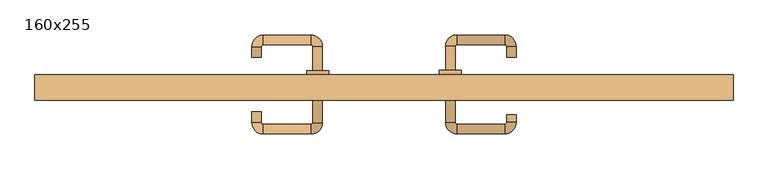
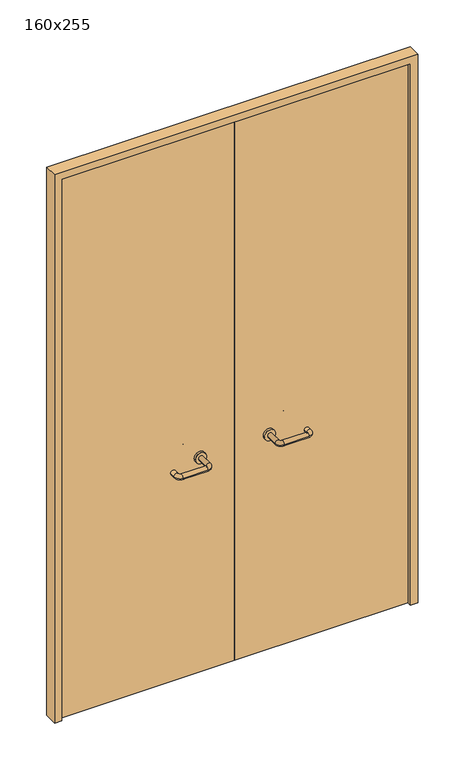
"""IFC4 building model written with IfcOpenShell, lengths in millimetres: door geometry, 160x255."""

from ifc_helpers import new_model, si_unit, point, frame, frame_2d, origin, place, context, project, spatial, polyline, circle_curve, ellipse_curve, trimmed, segment, composite_curve, outline, extrude, source, transform, mapped, element, save
from ifc_brep_helpers import plane_surface, cylinder_surface, revolved_surface, advanced_brep


def door_160x255_4dd98a47(model_context):
    return source(origin(), model_context, "Body", "SolidModel", [
        extrude(outline(polyline([(2550.0, -800.0), (0.0, -800.0), (0.0, -768.0), (2518.0, -768.0), (2518.0, 768.0), (0.0, 768.0), (0.0, 800.0), (2550.0, 800.0), (2550.0, -800.0)])), frame((0.0, -29.0, 0.0), z_axis=(0.0, 1.0, 0.0), x_axis=(0.0, 0.0, 1.0)), (0.0, 0.0, 1.0), 59.0),
        advanced_brep(
        [(140.99898, -24.0, 1003.0), (162.99898, -24.0, 1003.0), (140.99898, -79.3525369, 1003.0), (162.99898, -79.3525369, 1003.0), (166.99898, -83.3525369, 1003.0), (166.99898, -105.3525369, 1003.0), (276.99898, -105.3525369, 1003.0), (276.99898, -83.3525369, 1003.0), (280.99898, -79.3525369, 1003.0), (302.99898, -79.3525369, 1003.0), (302.99898, -62.0, 1003.0), (280.99898, -62.0, 1003.0)],
        [
            (0, 1, circle_curve(frame((151.99898, -24.0, 1003.0), z_axis=(0.0, 1.0, 0.0), x_axis=(1.0, 0.0, 0.0)), 11.0)),
            (1, 0, circle_curve(frame((151.99898, -24.0, 1003.0), z_axis=(0.0, 1.0, 0.0), x_axis=(1.0, 0.0, 0.0)), 11.0)),
            (0, 2),
            (2, 3, circle_curve(frame((151.99898, -79.3525369, 1003.0), z_axis=(0.0, 1.0, 0.0), x_axis=(1.0, 0.0, 0.0)), 11.0)),
            (3, 1),
            (3, 2, circle_curve(frame((151.99898, -79.3525369, 1003.0), z_axis=(0.0, 1.0, 0.0), x_axis=(1.0, 0.0, 0.0)), 11.0)),
            (4, 3, circle_curve(frame((166.99898, -79.3525369, 1003.0), z_axis=(0.0, 0.0, -1.0), x_axis=(-1.0, 0.0, 0.0)), 4.0)),
            (2, 5, circle_curve(frame((166.99898, -79.3525369, 1003.0), z_axis=(0.0, 0.0, 1.0), x_axis=(-1.0, 0.0, 0.0)), 26.0)),
            (5, 4, circle_curve(frame((166.99898, -94.3525369, 1003.0), z_axis=(-1.0, 0.0, 0.0), x_axis=(0.0, 1.0, 0.0)), 11.0)),
            (4, 5, circle_curve(frame((166.99898, -94.3525369, 1003.0), z_axis=(-1.0, 0.0, 0.0), x_axis=(0.0, 1.0, 0.0)), 11.0)),
            (5, 6),
            (6, 7, circle_curve(frame((276.99898, -94.3525369, 1003.0), z_axis=(-1.0, 0.0, 0.0), x_axis=(0.0, 1.0, 0.0)), 11.0)),
            (7, 4),
            (7, 6, circle_curve(frame((276.99898, -94.3525369, 1003.0), z_axis=(-1.0, 0.0, 0.0), x_axis=(0.0, 1.0, 0.0)), 11.0)),
            (8, 7, circle_curve(frame((276.99898, -79.3525369, 1003.0), z_axis=(0.0, 0.0, -1.0), x_axis=(0.0, -1.0, 0.0)), 4.0)),
            (6, 9, circle_curve(frame((276.99898, -79.3525369, 1003.0), z_axis=(0.0, 0.0, 1.0), x_axis=(0.0, -1.0, 0.0)), 26.0)),
            (9, 8, circle_curve(frame((291.99898, -79.3525369, 1003.0), z_axis=(0.0, -1.0, 0.0), x_axis=(-1.0, 0.0, 0.0)), 11.0)),
            (8, 9, circle_curve(frame((291.99898, -79.3525369, 1003.0), z_axis=(0.0, -1.0, 0.0), x_axis=(-1.0, 0.0, 0.0)), 11.0)),
            (10, 11, circle_curve(frame((291.99898, -62.0, 1003.0), z_axis=(0.0, 1.0, 0.0), x_axis=(-1.0, 0.0, 0.0)), 11.0)),
            (11, 10, circle_curve(frame((291.99898, -62.0, 1003.0), z_axis=(0.0, 1.0, 0.0), x_axis=(-1.0, 0.0, 0.0)), 11.0)),
            (9, 10),
            (11, 8),
        ],
        [
            plane_surface(frame((140.99898, -24.0, 1003.0), z_axis=(0.0, 1.0, 0.0), x_axis=(0.0, 0.0, -1.0))),
            cylinder_surface(frame((151.99898, -24.0, 1003.0), z_axis=(0.0, 1.0, 0.0), x_axis=(1.0, 0.0, 0.0)), 11.0),
            revolved_surface(trimmed(ellipse_curve(frame((151.99898, -79.3525369, 1003.0), z_axis=(0.0, 1.0, 0.0), x_axis=(1.0, 0.0, 0.0)), 11.0, 11.0), [point((140.99898, -79.3525369, 1003.0))], [point((162.99898, -79.3525369, 1003.0))], True, "CARTESIAN"), (166.99898, -79.3525369, 1003.0), (0.0, 0.0, 1.0)),
            revolved_surface(trimmed(ellipse_curve(frame((151.99898, -79.3525369, 1003.0), z_axis=(0.0, 1.0, 0.0), x_axis=(1.0, 0.0, 0.0)), 11.0, 11.0), [point((162.99898, -79.3525369, 1003.0))], [point((140.99898, -79.3525369, 1003.0))], True, "CARTESIAN"), (166.99898, -79.3525369, 1003.0), (0.0, 0.0, 1.0)),
            cylinder_surface(frame((166.99898, -94.3525369, 1003.0), z_axis=(-1.0, 0.0, 0.0), x_axis=(0.0, 1.0, 0.0)), 11.0),
            revolved_surface(trimmed(ellipse_curve(frame((276.99898, -94.3525369, 1003.0), z_axis=(-1.0, 0.0, 0.0), x_axis=(0.0, 1.0, 0.0)), 11.0, 11.0), [point((276.99898, -105.3525369, 1003.0))], [point((276.99898, -83.3525369, 1003.0))], True, "CARTESIAN"), (276.99898, -79.3525369, 1003.0), (0.0, 0.0, 1.0)),
            revolved_surface(trimmed(ellipse_curve(frame((276.99898, -94.3525369, 1003.0), z_axis=(-1.0, 0.0, 0.0), x_axis=(0.0, 1.0, 0.0)), 11.0, 11.0), [point((276.99898, -83.3525369, 1003.0))], [point((276.99898, -105.3525369, 1003.0))], True, "CARTESIAN"), (276.99898, -79.3525369, 1003.0), (0.0, 0.0, 1.0)),
            plane_surface(frame((280.99898, -62.0, 1003.0), z_axis=(0.0, 1.0, 0.0), x_axis=(0.0, 0.0, 1.0))),
            cylinder_surface(frame((291.99898, -79.3525369, 1003.0), z_axis=(0.0, -1.0, 0.0), x_axis=(-1.0, 0.0, 0.0)), 11.0),
        ],
        [
            (0, [[1, 2]]),
            (1, [[-1, 3, 4, 5]]),
            (1, [[-2, -5, 6, -3]]),
            (2, [[7, -4, 8, 9]]),
            (3, [[-8, -6, -7, 10]]),
            (4, [[-9, 11, 12, 13]]),
            (4, [[-10, -13, 14, -11]]),
            (5, [[15, -12, 16, 17]]),
            (6, [[-16, -14, -15, 18]]),
            (7, [[19, 20]]),
            (8, [[-17, 21, -20, 22]]),
            (8, [[-18, -22, -19, -21]]),
        ],
    ),
        extrude(outline(composite_curve([segment(trimmed(circle_curve(frame_2d((1003.0, 151.99898)), 25.0), [point((1003.0, 126.99898))], [point((1003.0, 176.99898))], False, "CARTESIAN"), True, "CONTINUOUS"), segment(trimmed(circle_curve(frame_2d((1003.0, 151.99898)), 25.0), [point((1003.0, 176.99898))], [point((1003.0, 126.99898))], False, "CARTESIAN"), True, "CONTINUOUS")], self_intersect=False)), frame((0.0, -24.0, 0.0), z_axis=(0.0, 1.0, 0.0), x_axis=(0.0, 0.0, 1.0)), (0.0, 0.0, 1.0), 10.0),
        advanced_brep(
        [(162.99898, 40.0, 1003.0), (140.99898, 40.0, 1003.0), (162.99898, 95.0, 1003.0), (140.99898, 95.0, 1003.0), (166.99898, 121.0, 1003.0), (166.99898, 99.0, 1003.0), (276.99898, 99.0, 1003.0), (276.99898, 121.0, 1003.0), (302.99898, 95.0, 1003.0), (280.99898, 95.0, 1003.0), (280.99898, 70.0, 1003.0), (302.99898, 70.0, 1003.0)],
        [
            (0, 1, circle_curve(frame((151.99898, 40.0, 1003.0), z_axis=(0.0, -1.0, 0.0), x_axis=(-1.0, 0.0, 0.0)), 11.0)),
            (1, 0, circle_curve(frame((151.99898, 40.0, 1003.0), z_axis=(0.0, -1.0, 0.0), x_axis=(-1.0, 0.0, 0.0)), 11.0)),
            (0, 2),
            (2, 3, circle_curve(frame((151.99898, 95.0, 1003.0), z_axis=(0.0, -1.0, 0.0), x_axis=(-1.0, 0.0, 0.0)), 11.0)),
            (3, 1),
            (3, 2, circle_curve(frame((151.99898, 95.0, 1003.0), z_axis=(0.0, -1.0, 0.0), x_axis=(-1.0, 0.0, 0.0)), 11.0)),
            (4, 3, circle_curve(frame((166.99898, 95.0, 1003.0), z_axis=(0.0, 0.0, 1.0), x_axis=(-1.0, 0.0, 0.0)), 26.0)),
            (2, 5, circle_curve(frame((166.99898, 95.0, 1003.0), z_axis=(0.0, 0.0, -1.0), x_axis=(-1.0, 0.0, 0.0)), 4.0)),
            (5, 4, circle_curve(frame((166.99898, 110.0, 1003.0), z_axis=(-1.0, 0.0, 0.0), x_axis=(0.0, 1.0, 0.0)), 11.0)),
            (4, 5, circle_curve(frame((166.99898, 110.0, 1003.0), z_axis=(-1.0, 0.0, 0.0), x_axis=(0.0, 1.0, 0.0)), 11.0)),
            (5, 6),
            (6, 7, circle_curve(frame((276.99898, 110.0, 1003.0), z_axis=(-1.0, 0.0, 0.0), x_axis=(0.0, 1.0, 0.0)), 11.0)),
            (7, 4),
            (7, 6, circle_curve(frame((276.99898, 110.0, 1003.0), z_axis=(-1.0, 0.0, 0.0), x_axis=(0.0, 1.0, 0.0)), 11.0)),
            (8, 7, circle_curve(frame((276.99898, 95.0, 1003.0), z_axis=(0.0, 0.0, 1.0), x_axis=(0.0, 1.0, 0.0)), 26.0)),
            (6, 9, circle_curve(frame((276.99898, 95.0, 1003.0), z_axis=(0.0, 0.0, -1.0), x_axis=(0.0, 1.0, 0.0)), 4.0)),
            (9, 8, circle_curve(frame((291.99898, 95.0, 1003.0), z_axis=(0.0, 1.0, 0.0), x_axis=(1.0, 0.0, 0.0)), 11.0)),
            (8, 9, circle_curve(frame((291.99898, 95.0, 1003.0), z_axis=(0.0, 1.0, 0.0), x_axis=(1.0, 0.0, 0.0)), 11.0)),
            (10, 11, circle_curve(frame((291.99898, 70.0, 1003.0), z_axis=(0.0, -1.0, 0.0), x_axis=(1.0, 0.0, 0.0)), 11.0)),
            (11, 10, circle_curve(frame((291.99898, 70.0, 1003.0), z_axis=(0.0, -1.0, 0.0), x_axis=(1.0, 0.0, 0.0)), 11.0)),
            (9, 10),
            (11, 8),
        ],
        [
            plane_surface(frame((140.99898, 40.0, 1003.0), z_axis=(0.0, -1.0, 0.0), x_axis=(0.0, 0.0, 1.0))),
            cylinder_surface(frame((151.99898, 40.0, 1003.0), z_axis=(0.0, -1.0, 0.0), x_axis=(-1.0, 0.0, 0.0)), 11.0),
            revolved_surface(trimmed(ellipse_curve(frame((151.99898, 95.0, 1003.0), z_axis=(0.0, -1.0, 0.0), x_axis=(-1.0, 0.0, 0.0)), 11.0, 11.0), [point((162.99898, 95.0, 1003.0))], [point((140.99898, 95.0, 1003.0))], True, "CARTESIAN"), (166.99898, 95.0, 1003.0), (0.0, 0.0, -1.0)),
            revolved_surface(trimmed(ellipse_curve(frame((151.99898, 95.0, 1003.0), z_axis=(0.0, -1.0, 0.0), x_axis=(-1.0, 0.0, 0.0)), 11.0, 11.0), [point((140.99898, 95.0, 1003.0))], [point((162.99898, 95.0, 1003.0))], True, "CARTESIAN"), (166.99898, 95.0, 1003.0), (0.0, 0.0, -1.0)),
            cylinder_surface(frame((166.99898, 110.0, 1003.0), z_axis=(-1.0, 0.0, 0.0), x_axis=(0.0, 1.0, 0.0)), 11.0),
            revolved_surface(trimmed(ellipse_curve(frame((276.99898, 110.0, 1003.0), z_axis=(-1.0, 0.0, 0.0), x_axis=(0.0, 1.0, 0.0)), 11.0, 11.0), [point((276.99898, 99.0, 1003.0))], [point((276.99898, 121.0, 1003.0))], True, "CARTESIAN"), (276.99898, 95.0, 1003.0), (0.0, 0.0, -1.0)),
            revolved_surface(trimmed(ellipse_curve(frame((276.99898, 110.0, 1003.0), z_axis=(-1.0, 0.0, 0.0), x_axis=(0.0, 1.0, 0.0)), 11.0, 11.0), [point((276.99898, 121.0, 1003.0))], [point((276.99898, 99.0, 1003.0))], True, "CARTESIAN"), (276.99898, 95.0, 1003.0), (0.0, 0.0, -1.0)),
            plane_surface(frame((280.99898, 70.0, 1003.0), z_axis=(0.0, -1.0, 0.0), x_axis=(0.0, 0.0, -1.0))),
            cylinder_surface(frame((291.99898, 95.0, 1003.0), z_axis=(0.0, 1.0, 0.0), x_axis=(1.0, 0.0, 0.0)), 11.0),
        ],
        [
            (0, [[1, 2]]),
            (1, [[-1, 3, 4, 5]]),
            (1, [[-2, -5, 6, -3]]),
            (2, [[7, -4, 8, 9]]),
            (3, [[-8, -6, -7, 10]]),
            (4, [[-9, 11, 12, 13]]),
            (4, [[-10, -13, 14, -11]]),
            (5, [[15, -12, 16, 17]]),
            (6, [[-16, -14, -15, 18]]),
            (7, [[19, 20]]),
            (8, [[-17, 21, -20, 22]]),
            (8, [[-18, -22, -19, -21]]),
        ],
    ),
        extrude(outline(composite_curve([segment(trimmed(circle_curve(frame_2d((1003.0, 151.99898)), 25.0), [point((1003.0, 176.99898))], [point((1003.0, 126.99898))], False, "CARTESIAN"), True, "CONTINUOUS"), segment(trimmed(circle_curve(frame_2d((1003.0, 151.99898)), 25.0), [point((1003.0, 126.99898))], [point((1003.0, 176.99898))], False, "CARTESIAN"), True, "CONTINUOUS")], self_intersect=False)), frame((0.0, 30.0, 0.0), z_axis=(0.0, 1.0, 0.0), x_axis=(0.0, 0.0, 1.0)), (0.0, 0.0, 1.0), 10.0),
        advanced_brep(
        [(-162.99898, -24.3113879, 1003.0), (-140.99898, -24.3113879, 1003.0), (-162.99898, -79.7220447, 1003.0), (-140.99898, -79.7220447, 1003.0), (-166.99898, -105.7220447, 1003.0), (-166.99898, -83.7220447, 1003.0), (-276.99898, -83.7220447, 1003.0), (-276.99898, -105.7220447, 1003.0), (-302.99898, -79.7220447, 1003.0), (-280.99898, -79.7220447, 1003.0), (-280.99898, -54.7220447, 1003.0), (-302.99898, -54.7220447, 1003.0)],
        [
            (0, 1, circle_curve(frame((-151.99898, -24.3113879, 1003.0), z_axis=(0.0, 1.0, 0.0), x_axis=(1.0, 0.0, 0.0)), 11.0)),
            (1, 0, circle_curve(frame((-151.99898, -24.3113879, 1003.0), z_axis=(0.0, 1.0, 0.0), x_axis=(1.0, 0.0, 0.0)), 11.0)),
            (0, 2),
            (2, 3, circle_curve(frame((-151.99898, -79.7220447, 1003.0), z_axis=(0.0, 1.0, 0.0), x_axis=(1.0, 0.0, 0.0)), 11.0)),
            (3, 1),
            (3, 2, circle_curve(frame((-151.99898, -79.7220447, 1003.0), z_axis=(0.0, 1.0, 0.0), x_axis=(1.0, 0.0, 0.0)), 11.0)),
            (4, 3, circle_curve(frame((-166.99898, -79.7220447, 1003.0), z_axis=(0.0, 0.0, 1.0), x_axis=(1.0, 0.0, 0.0)), 26.0)),
            (2, 5, circle_curve(frame((-166.99898, -79.7220447, 1003.0), z_axis=(0.0, 0.0, -1.0), x_axis=(1.0, 0.0, 0.0)), 4.0)),
            (5, 4, circle_curve(frame((-166.99898, -94.7220447, 1003.0), z_axis=(1.0, 0.0, 0.0), x_axis=(0.0, -1.0, 0.0)), 11.0)),
            (4, 5, circle_curve(frame((-166.99898, -94.7220447, 1003.0), z_axis=(1.0, 0.0, 0.0), x_axis=(0.0, -1.0, 0.0)), 11.0)),
            (5, 6),
            (6, 7, circle_curve(frame((-276.99898, -94.7220447, 1003.0), z_axis=(1.0, 0.0, 0.0), x_axis=(0.0, -1.0, 0.0)), 11.0)),
            (7, 4),
            (7, 6, circle_curve(frame((-276.99898, -94.7220447, 1003.0), z_axis=(1.0, 0.0, 0.0), x_axis=(0.0, -1.0, 0.0)), 11.0)),
            (8, 7, circle_curve(frame((-276.99898, -79.7220447, 1003.0), z_axis=(0.0, 0.0, 1.0), x_axis=(0.0, -1.0, 0.0)), 26.0)),
            (6, 9, circle_curve(frame((-276.99898, -79.7220447, 1003.0), z_axis=(0.0, 0.0, -1.0), x_axis=(0.0, -1.0, 0.0)), 4.0)),
            (9, 8, circle_curve(frame((-291.99898, -79.7220447, 1003.0), z_axis=(0.0, -1.0, 0.0), x_axis=(-1.0, 0.0, 0.0)), 11.0)),
            (8, 9, circle_curve(frame((-291.99898, -79.7220447, 1003.0), z_axis=(0.0, -1.0, 0.0), x_axis=(-1.0, 0.0, 0.0)), 11.0)),
            (10, 11, circle_curve(frame((-291.99898, -54.7220447, 1003.0), z_axis=(0.0, 1.0, 0.0), x_axis=(-1.0, 0.0, 0.0)), 11.0)),
            (11, 10, circle_curve(frame((-291.99898, -54.7220447, 1003.0), z_axis=(0.0, 1.0, 0.0), x_axis=(-1.0, 0.0, 0.0)), 11.0)),
            (9, 10),
            (11, 8),
        ],
        [
            plane_surface(frame((-162.99898, -24.3113879, 1003.0), z_axis=(0.0, 1.0, 0.0), x_axis=(0.0, 0.0, -1.0))),
            cylinder_surface(frame((-151.99898, -24.3113879, 1003.0), z_axis=(0.0, 1.0, 0.0), x_axis=(1.0, 0.0, 0.0)), 11.0),
            revolved_surface(trimmed(ellipse_curve(frame((-151.99898, -79.7220447, 1003.0), z_axis=(0.0, 1.0, 0.0), x_axis=(1.0, 0.0, 0.0)), 11.0, 11.0), [point((-162.99898, -79.7220447, 1003.0))], [point((-140.99898, -79.7220447, 1003.0))], True, "CARTESIAN"), (-166.99898, -79.7220447, 1003.0), (0.0, 0.0, -1.0)),
            revolved_surface(trimmed(ellipse_curve(frame((-151.99898, -79.7220447, 1003.0), z_axis=(0.0, 1.0, 0.0), x_axis=(1.0, 0.0, 0.0)), 11.0, 11.0), [point((-140.99898, -79.7220447, 1003.0))], [point((-162.99898, -79.7220447, 1003.0))], True, "CARTESIAN"), (-166.99898, -79.7220447, 1003.0), (0.0, 0.0, -1.0)),
            cylinder_surface(frame((-166.99898, -94.7220447, 1003.0), z_axis=(1.0, 0.0, 0.0), x_axis=(0.0, -1.0, 0.0)), 11.0),
            revolved_surface(trimmed(ellipse_curve(frame((-276.99898, -94.7220447, 1003.0), z_axis=(1.0, 0.0, 0.0), x_axis=(0.0, -1.0, 0.0)), 11.0, 11.0), [point((-276.99898, -83.7220447, 1003.0))], [point((-276.99898, -105.7220447, 1003.0))], True, "CARTESIAN"), (-276.99898, -79.7220447, 1003.0), (0.0, 0.0, -1.0)),
            revolved_surface(trimmed(ellipse_curve(frame((-276.99898, -94.7220447, 1003.0), z_axis=(1.0, 0.0, 0.0), x_axis=(0.0, -1.0, 0.0)), 11.0, 11.0), [point((-276.99898, -105.7220447, 1003.0))], [point((-276.99898, -83.7220447, 1003.0))], True, "CARTESIAN"), (-276.99898, -79.7220447, 1003.0), (0.0, 0.0, -1.0)),
            plane_surface(frame((-302.99898, -54.7220447, 1003.0), z_axis=(0.0, 1.0, 0.0), x_axis=(0.0, 0.0, 1.0))),
            cylinder_surface(frame((-291.99898, -79.7220447, 1003.0), z_axis=(0.0, -1.0, 0.0), x_axis=(-1.0, 0.0, 0.0)), 11.0),
        ],
        [
            (0, [[1, 2]]),
            (1, [[-1, 3, 4, 5]]),
            (1, [[-2, -5, 6, -3]]),
            (2, [[7, -4, 8, 9]]),
            (3, [[-8, -6, -7, 10]]),
            (4, [[-9, 11, 12, 13]]),
            (4, [[-10, -13, 14, -11]]),
            (5, [[15, -12, 16, 17]]),
            (6, [[-16, -14, -15, 18]]),
            (7, [[19, 20]]),
            (8, [[-17, 21, -20, 22]]),
            (8, [[-18, -22, -19, -21]]),
        ],
    ),
        extrude(outline(composite_curve([segment(trimmed(circle_curve(frame_2d((1003.0, -151.99898)), 25.0), [point((1003.0, -176.99898))], [point((1003.0, -126.99898))], False, "CARTESIAN"), True, "CONTINUOUS"), segment(trimmed(circle_curve(frame_2d((1003.0, -151.99898)), 25.0), [point((1003.0, -126.99898))], [point((1003.0, -176.99898))], False, "CARTESIAN"), True, "CONTINUOUS")], self_intersect=False)), frame((0.0, -24.3113879, 0.0), z_axis=(0.0, 1.0, 0.0), x_axis=(0.0, 0.0, 1.0)), (0.0, 0.0, 1.0), 10.3113879),
        advanced_brep(
        [(-140.99898, 39.5143417, 1003.0), (-162.99898, 39.5143417, 1003.0), (-140.99898, 94.6104656, 1003.0), (-162.99898, 94.6104656, 1003.0), (-166.99898, 98.6104656, 1003.0), (-166.99898, 120.6104656, 1003.0), (-276.99898, 120.6104656, 1003.0), (-276.99898, 98.6104656, 1003.0), (-280.99898, 94.6104656, 1003.0), (-302.99898, 94.6104656, 1003.0), (-302.99898, 69.6104656, 1003.0), (-280.99898, 69.6104656, 1003.0)],
        [
            (0, 1, circle_curve(frame((-151.99898, 39.5143417, 1003.0), z_axis=(0.0, -1.0, 0.0), x_axis=(-1.0, 0.0, 0.0)), 11.0)),
            (1, 0, circle_curve(frame((-151.99898, 39.5143417, 1003.0), z_axis=(0.0, -1.0, 0.0), x_axis=(-1.0, 0.0, 0.0)), 11.0)),
            (0, 2),
            (2, 3, circle_curve(frame((-151.99898, 94.6104656, 1003.0), z_axis=(0.0, -1.0, 0.0), x_axis=(-1.0, 0.0, 0.0)), 11.0)),
            (3, 1),
            (3, 2, circle_curve(frame((-151.99898, 94.6104656, 1003.0), z_axis=(0.0, -1.0, 0.0), x_axis=(-1.0, 0.0, 0.0)), 11.0)),
            (4, 3, circle_curve(frame((-166.99898, 94.6104656, 1003.0), z_axis=(0.0, 0.0, -1.0), x_axis=(1.0, 0.0, 0.0)), 4.0)),
            (2, 5, circle_curve(frame((-166.99898, 94.6104656, 1003.0), z_axis=(0.0, 0.0, 1.0), x_axis=(1.0, 0.0, 0.0)), 26.0)),
            (5, 4, circle_curve(frame((-166.99898, 109.6104656, 1003.0), z_axis=(1.0, 0.0, 0.0), x_axis=(0.0, -1.0, 0.0)), 11.0)),
            (4, 5, circle_curve(frame((-166.99898, 109.6104656, 1003.0), z_axis=(1.0, 0.0, 0.0), x_axis=(0.0, -1.0, 0.0)), 11.0)),
            (5, 6),
            (6, 7, circle_curve(frame((-276.99898, 109.6104656, 1003.0), z_axis=(1.0, 0.0, 0.0), x_axis=(0.0, -1.0, 0.0)), 11.0)),
            (7, 4),
            (7, 6, circle_curve(frame((-276.99898, 109.6104656, 1003.0), z_axis=(1.0, 0.0, 0.0), x_axis=(0.0, -1.0, 0.0)), 11.0)),
            (8, 7, circle_curve(frame((-276.99898, 94.6104656, 1003.0), z_axis=(0.0, 0.0, -1.0), x_axis=(0.0, 1.0, 0.0)), 4.0)),
            (6, 9, circle_curve(frame((-276.99898, 94.6104656, 1003.0), z_axis=(0.0, 0.0, 1.0), x_axis=(0.0, 1.0, 0.0)), 26.0)),
            (9, 8, circle_curve(frame((-291.99898, 94.6104656, 1003.0), z_axis=(0.0, 1.0, 0.0), x_axis=(1.0, 0.0, 0.0)), 11.0)),
            (8, 9, circle_curve(frame((-291.99898, 94.6104656, 1003.0), z_axis=(0.0, 1.0, 0.0), x_axis=(1.0, 0.0, 0.0)), 11.0)),
            (10, 11, circle_curve(frame((-291.99898, 69.6104656, 1003.0), z_axis=(0.0, -1.0, 0.0), x_axis=(1.0, 0.0, 0.0)), 11.0)),
            (11, 10, circle_curve(frame((-291.99898, 69.6104656, 1003.0), z_axis=(0.0, -1.0, 0.0), x_axis=(1.0, 0.0, 0.0)), 11.0)),
            (9, 10),
            (11, 8),
        ],
        [
            plane_surface(frame((-162.99898, 39.5143417, 1003.0), z_axis=(0.0, -1.0, 0.0), x_axis=(0.0, 0.0, 1.0))),
            cylinder_surface(frame((-151.99898, 39.5143417, 1003.0), z_axis=(0.0, -1.0, 0.0), x_axis=(-1.0, 0.0, 0.0)), 11.0),
            revolved_surface(trimmed(ellipse_curve(frame((-151.99898, 94.6104656, 1003.0), z_axis=(0.0, -1.0, 0.0), x_axis=(-1.0, 0.0, 0.0)), 11.0, 11.0), [point((-140.99898, 94.6104656, 1003.0))], [point((-162.99898, 94.6104656, 1003.0))], True, "CARTESIAN"), (-166.99898, 94.6104656, 1003.0), (0.0, 0.0, 1.0)),
            revolved_surface(trimmed(ellipse_curve(frame((-151.99898, 94.6104656, 1003.0), z_axis=(0.0, -1.0, 0.0), x_axis=(-1.0, 0.0, 0.0)), 11.0, 11.0), [point((-162.99898, 94.6104656, 1003.0))], [point((-140.99898, 94.6104656, 1003.0))], True, "CARTESIAN"), (-166.99898, 94.6104656, 1003.0), (0.0, 0.0, 1.0)),
            cylinder_surface(frame((-166.99898, 109.6104656, 1003.0), z_axis=(1.0, 0.0, 0.0), x_axis=(0.0, -1.0, 0.0)), 11.0),
            revolved_surface(trimmed(ellipse_curve(frame((-276.99898, 109.6104656, 1003.0), z_axis=(1.0, 0.0, 0.0), x_axis=(0.0, -1.0, 0.0)), 11.0, 11.0), [point((-276.99898, 120.6104656, 1003.0))], [point((-276.99898, 98.6104656, 1003.0))], True, "CARTESIAN"), (-276.99898, 94.6104656, 1003.0), (0.0, 0.0, 1.0)),
            revolved_surface(trimmed(ellipse_curve(frame((-276.99898, 109.6104656, 1003.0), z_axis=(1.0, 0.0, 0.0), x_axis=(0.0, -1.0, 0.0)), 11.0, 11.0), [point((-276.99898, 98.6104656, 1003.0))], [point((-276.99898, 120.6104656, 1003.0))], True, "CARTESIAN"), (-276.99898, 94.6104656, 1003.0), (0.0, 0.0, 1.0)),
            plane_surface(frame((-302.99898, 69.6104656, 1003.0), z_axis=(0.0, -1.0, 0.0), x_axis=(0.0, 0.0, -1.0))),
            cylinder_surface(frame((-291.99898, 94.6104656, 1003.0), z_axis=(0.0, 1.0, 0.0), x_axis=(1.0, 0.0, 0.0)), 11.0),
        ],
        [
            (0, [[1, 2]]),
            (1, [[-1, 3, 4, 5]]),
            (1, [[-2, -5, 6, -3]]),
            (2, [[7, -4, 8, 9]]),
            (3, [[-8, -6, -7, 10]]),
            (4, [[-9, 11, 12, 13]]),
            (4, [[-10, -13, 14, -11]]),
            (5, [[15, -12, 16, 17]]),
            (6, [[-16, -14, -15, 18]]),
            (7, [[19, 20]]),
            (8, [[-17, 21, -20, 22]]),
            (8, [[-18, -22, -19, -21]]),
        ],
    ),
        extrude(outline(composite_curve([segment(trimmed(circle_curve(frame_2d((1003.0, -151.99898)), 25.0), [point((1003.0, -126.99898))], [point((1003.0, -176.99898))], False, "CARTESIAN"), True, "CONTINUOUS"), segment(trimmed(circle_curve(frame_2d((1003.0, -151.99898)), 25.0), [point((1003.0, -176.99898))], [point((1003.0, -126.99898))], False, "CARTESIAN"), True, "CONTINUOUS")], self_intersect=False)), frame((0.0, 30.0, 0.0), z_axis=(0.0, 1.0, 0.0), x_axis=(0.0, 0.0, 1.0)), (0.0, 0.0, 1.0), 9.5143417),
        extrude(outline(polyline([(1.0739506, -14.0), (-765.0, -14.0), (-765.0, 30.0), (1.0739506, 30.0), (1.0739506, -14.0)])), frame((0.0, 0.0, 1.753223), z_axis=(0.0, 0.0, 1.0), x_axis=(1.0, 0.0, 0.0)), (0.0, 0.0, 1.0), 2516.246777),
        extrude(outline(polyline([(765.0, -14.0), (1.0739506, -14.0), (1.0739506, 30.0), (765.0, 30.0), (765.0, -14.0)])), frame((0.0, 0.0, 1.753223), z_axis=(0.0, 0.0, 1.0), x_axis=(1.0, 0.0, 0.0)), (0.0, 0.0, 1.0), 2516.246777),
    ])


if __name__ == "__main__":
    model = new_model("IFC4")
    model_context = context("Model", 3, world=origin())
    ifc_project = project(units=[si_unit("LENGTHUNIT", "METRE", prefix="MILLI")], contexts=[model_context])
    site = spatial("IfcSite", under=ifc_project)
    building = spatial("IfcBuilding", under=site)
    placement = place(None, origin())
    door_160x255_shape = door_160x255_4dd98a47(model_context)
    element("IfcDoor", 1, ObjectType="160x255", at=placement, inside=building, context=model_context, shape_type="MappedRepresentation", body=[
        mapped(door_160x255_shape, transform((0.0, 0.0, 0.0), x_axis=(1.0, 0.0, 0.0), y_axis=(0.0, 1.0, 0.0), z_axis=(0.0, 0.0, 1.0))),
    ])
    save(model, "model.ifc")
